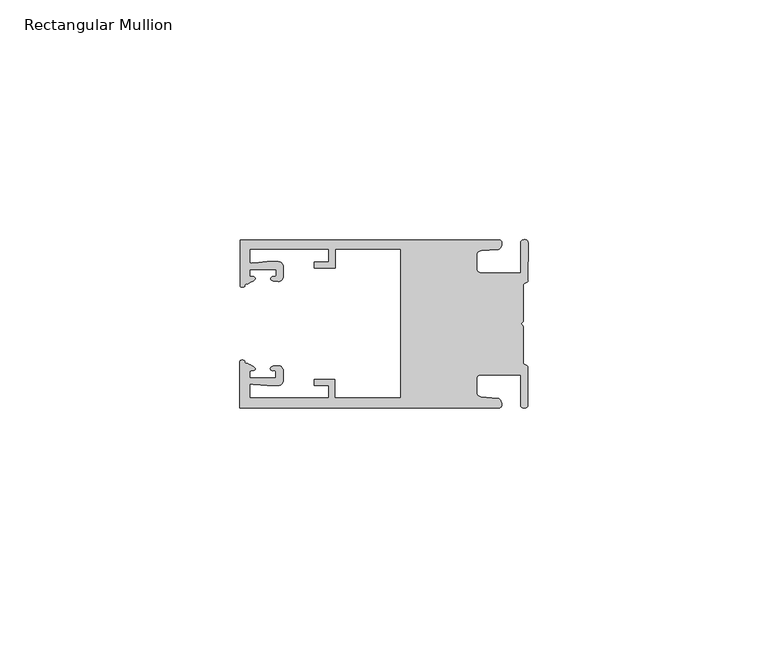
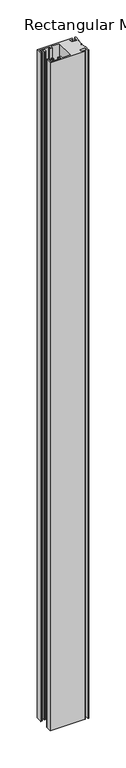
"""IFC4 building model written with IfcOpenShell, lengths in millimetres: member geometry, Rectangular Mullion."""

from ifc_helpers import new_model, si_unit, frame, origin, place, context, project, spatial, circle_curve, source, transform, mapped, element, save
from ifc_brep_helpers import plane_surface, cylinder_surface, extruded_surface, spline_curve, advanced_brep


def rectangular_mullion_71852f8a(model_context):
    return source(origin(), model_context, "Body", "AdvancedBrep", [
        advanced_brep(
        [(-60.0749377, 17.5111528, 0.0), (-60.0749377, 8.0140787, 0.0), (-59.3252567, 7.7187455, 0.0), (-58.4967974, 8.36785, 0.0), (-58.0726619, 10.1173923, 0.0), (-58.0713101, 11.3673916, 0.0), (-52.5713133, 11.3614437, 0.0), (-52.5726651, 10.1114444, 0.0), (-53.1427626, 8.8955539, 0.0), (-52.0740172, 8.8609044, 0.0), (-51.0729364, 9.8598224, 0.0), (-51.0706653, 11.9598211, 0.0), (-52.0700692, 12.9609024, 0.0), (-54.3905105, 12.9622843, 0.0), (-57.1599646, 12.7230061, 0.0), (-58.0696339, 12.9173907, 0.0), (-58.066768, 15.5673891, 0.0), (-41.5667584, 15.5673891, 0.0), (-41.5695894, 12.9495468, 0.0), (-44.5695877, 12.9527912, 0.0), (-44.5709936, 11.6527919, 0.0), (-40.2709961, 11.6481417, 0.0), (-40.2667576, 15.5673891, 0.0), (-26.6002952, 15.5673891, 0.0), (-26.6002952, -15.4518424, 0.0), (-40.3003032, -15.4518424, 0.0), (-40.2960856, -11.5518447, 0.0), (-44.5960831, -11.5471945, 0.0), (-44.597489, -12.8471938, 0.0), (-41.5974907, -12.8504381, 0.0), (-41.6003025, -15.4504366, 0.0), (-58.1002928, -15.4325927, 0.0), (-58.097427, -12.7825943, 0.0), (-57.1873395, -12.5901776, 0.0), (-54.4184094, -12.8354453, 0.0), (-52.0979705, -12.8390822, 0.0), (-51.0964037, -11.8401649, 0.0), (-51.0941327, -9.7401662, 0.0), (-52.0930507, -8.7390853, 0.0), (-53.1618685, -8.7714231, 0.0), (-52.5944022, -9.9885439, 0.0), (-52.595754, -11.2385431, 0.0), (-58.0957508, -11.2325952, 0.0), (-58.094399, -9.9825959, 0.0), (-58.5147494, -8.2321403, 0.0), (-59.3418028, -7.5812455, 0.0), (-60.0921208, -7.8749565, 0.0), (-60.0921208, -17.4888267, 0.0), (-6.1024861, -17.4888267, 0.0), (-6.5218639, -15.488372, 0.0), (-9.8784944, -15.2205466, 0.0), (-10.7989567, -14.2226333, 0.0), (-10.7961029, -11.5837474, 0.0), (-9.8734844, -10.5878272, 0.0), (-1.5950266, -10.5934991, 0.0), (-1.601948, -16.9936935, 0.0), (-0.1017194, -16.7830581, 0.0), (-0.0933208, -9.0170082, 0.0), (-1.0923837, -8.1499018, 0.0), (-1.0842165, -0.5977972, 0.0), (-1.0829111, 0.6093089, 0.0), (-1.0747439, 8.1614135, 0.0), (-0.0738079, 9.026357, 0.0), (-0.0654093, 16.7924069, 0.0), (-1.5651789, 17.0062866, 0.0), (-1.5651789, 10.6183257, 0.0), (-9.8505511, 10.6183257, 0.0), (-10.7710133, 11.6162391, 0.0), (-10.7681595, 14.255125, 0.0), (-9.845541, 15.2510452, 0.0), (-6.4883391, 15.5116099, 0.0), (-6.0646356, 17.5111528, 0.0), (-60.0749377, 17.5111528, -1098.18), (-6.0646356, 17.5111528, -1098.18), (-6.4883391, 15.5116099, -1098.18), (-9.845541, 15.2510452, -1098.18), (-10.7681595, 14.255125, -1098.18), (-10.7710133, 11.6162391, -1098.18), (-9.8505511, 10.6183257, -1098.18), (-1.5651789, 10.6183257, -1098.18), (-1.5651789, 17.0062866, -1098.18), (-0.0654093, 16.7924069, -1098.18), (-0.0738079, 9.026357, -1098.18), (-1.0747439, 8.1614135, -1098.18), (-1.0829111, 0.6093089, -1098.18), (-1.0842165, -0.5977972, -1098.18), (-1.0923837, -8.1499018, -1098.18), (-0.0933208, -9.0170082, -1098.18), (-0.1017194, -16.7830581, -1098.18), (-1.601948, -16.9936935, -1098.18), (-1.5950266, -10.5934991, -1098.18), (-9.8734844, -10.5878272, -1098.18), (-10.7961029, -11.5837474, -1098.18), (-10.7989567, -14.2226333, -1098.18), (-9.8784944, -15.2205466, -1098.18), (-6.5218639, -15.488372, -1098.18), (-6.1024861, -17.4888267, -1098.18), (-60.0921208, -17.4888267, -1098.18), (-60.0921208, -7.8749565, -1098.18), (-59.3418028, -7.5812455, -1098.18), (-58.5147494, -8.2321403, -1098.18), (-58.094399, -9.9825959, -1098.18), (-58.0957508, -11.2325952, -1098.18), (-52.595754, -11.2385431, -1098.18), (-52.5944022, -9.9885439, -1098.18), (-53.1618685, -8.7714231, -1098.18), (-52.0930507, -8.7390853, -1098.18), (-51.0941327, -9.7401662, -1098.18), (-51.0964037, -11.8401649, -1098.18), (-52.0979705, -12.8390823, -1098.18), (-54.4184094, -12.8354453, -1098.18), (-57.1873395, -12.5901776, -1098.18), (-58.097427, -12.7825943, -1098.18), (-58.1002928, -15.4325927, -1098.18), (-41.6003025, -15.4504366, -1098.18), (-41.5974907, -12.8504381, -1098.18), (-44.597489, -12.8471938, -1098.18), (-44.5960831, -11.5471945, -1098.18), (-40.2960856, -11.5518447, -1098.18), (-40.3003032, -15.4518424, -1098.18), (-26.6002952, -15.4518424, -1098.18), (-26.6002952, 15.5673891, -1098.18), (-40.2667576, 15.5673891, -1098.18), (-40.2709961, 11.6481417, -1098.18), (-44.5709936, 11.6527919, -1098.18), (-44.5695877, 12.9527912, -1098.18), (-41.5695894, 12.9495468, -1098.18), (-41.5667584, 15.5673891, -1098.18), (-58.066768, 15.5673891, -1098.18), (-58.0696339, 12.9173907, -1098.18), (-57.1599646, 12.7230061, -1098.18), (-54.3905105, 12.9622843, -1098.18), (-52.0700692, 12.9609023, -1098.18), (-51.0706653, 11.9598211, -1098.18), (-51.0729364, 9.8598224, -1098.18), (-52.0740172, 8.8609044, -1098.18), (-53.1427626, 8.8955539, -1098.18), (-52.5726651, 10.1114444, -1098.18), (-52.5713133, 11.3614437, -1098.18), (-58.0713101, 11.3673916, -1098.18), (-58.0726619, 10.1173923, -1098.18), (-58.4967974, 8.36785, -1098.18), (-59.3252567, 7.7187455, -1098.18), (-60.0749377, 8.0140787, -1098.18)],
        [
            (0, 1),
            (1, 2, spline_curve(3, [(-60.0749377, 8.0140787, 0.0), (-60.075233123, 7.740904774, 0.0), (-59.825339491, 7.642460332, 0.0), (-59.3252567, 7.7187455, 0.0)], [4, 4], [0.0, 0.0019169337574178654])),
            (2, 3, spline_curve(3, [(-59.3252567, 7.7187455, 0.0), (-59.094460914, 7.75918372, 0.0), (-59.054835463, 7.902257199, 0.0), (-59.05559987, 8.233305614, 0.0), (-59.138729113, 8.4134359, 0.0), (-58.4967974, 8.36785, 0.0)], [4, 2, 4], [0.0, 0.0010199524164107188, 0.0024874514725970356])),
            (3, 4, spline_curve(3, [(-58.4967974, 8.36785, 0.0), (-57.022393378, 9.053435667, 0.0), (-56.827266887, 9.364828726, 0.0), (-56.982213078, 9.742623404, 0.0), (-57.177375211, 9.855581791, 0.0), (-57.697928101, 9.887955071, 0.0), (-57.997449153, 9.835475348, 0.0), (-58.0726619, 10.1173923, 0.0)], [4, 2, 2, 4], [0.0, 0.003269869179570428, 0.005490050486237203, 0.0073545767114364426])),
            (4, 5),
            (5, 6),
            (6, 7),
            (7, 8, spline_curve(3, [(-52.5726651, 10.1114444, 0.0), (-52.667195519, 9.760172042, 0.0), (-52.937094388, 9.861877724, 0.0), (-53.356237032, 9.895631753, 0.0), (-53.491940439, 9.811038713, 0.0), (-53.761900775, 9.511438033, 0.0), (-53.892893546, 9.278787104, 0.0), (-53.1427626, 8.8955539, 0.0)], [4, 2, 2, 4], [0.0, 0.001593963049934732, 0.0033360256320283306, 0.005339140673503943])),
            (8, 9),
            (9, 10, circle_curve(frame((-52.0729358, 9.8609038, 0.0), z_axis=(0.0, 0.0, 1.0), x_axis=(-0.0010814451158600304, -0.9999994152380598, 0.0)), 1.0)),
            (10, 11),
            (11, 12, circle_curve(frame((-52.0706647, 11.9609026, 0.0), z_axis=(0.0, 0.0, 1.0), x_axis=(-0.0010814451158600304, -0.9999994152380598, 0.0)), 1.0)),
            (12, 13),
            (13, 14),
            (14, 15, spline_curve(3, [(-57.1599646, 12.7230061, 0.0), (-57.631533854, 12.682262968, 0.0), (-58.018602985, 12.477800124, 0.0), (-58.0696339, 12.9173907, 0.0)], [4, 4], [0.0, 0.0014803385355886016])),
            (15, 16),
            (16, 17),
            (17, 18),
            (18, 19),
            (19, 20),
            (20, 21),
            (21, 22),
            (22, 23),
            (23, 24),
            (24, 25),
            (25, 26),
            (26, 27),
            (27, 28),
            (28, 29),
            (29, 30),
            (30, 31),
            (31, 32),
            (32, 33, spline_curve(3, [(-58.097427, -12.7825943, 0.0), (-58.045445419, -12.343115126, 0.0), (-57.658819528, -12.548414611, 0.0), (-57.1873395, -12.5901776, 0.0)], [4, 4], [0.0, 0.0014803385355886016])),
            (33, 34),
            (34, 35),
            (35, 36, circle_curve(frame((-52.0964031, -11.8390835, 0.0), z_axis=(0.0, 0.0, 1.0), x_axis=(0.0010814451158600304, 0.9999994152380598, 0.0)), 1.0)),
            (36, 37),
            (37, 38, circle_curve(frame((-52.0941321, -9.7390847, 0.0), z_axis=(0.0, 0.0, 1.0), x_axis=(0.0010814451158600304, 0.9999994152380598, 0.0)), 1.0)),
            (38, 39),
            (39, 40, spline_curve(3, [(-53.1618685, -8.7714231, 0.0), (-53.912826582, -9.153032958, 0.0), (-53.782337352, -9.385966711, 0.0), (-53.51302565, -9.686150585, 0.0), (-53.377505444, -9.771037009, 0.0), (-52.958290774, -9.738189618, 0.0), (-52.688172635, -9.637067904, 0.0), (-52.5944022, -9.9885439, 0.0)], [4, 2, 2, 4], [0.0, 0.002003115041475612, 0.0037451776235692107, 0.005339140673503943])),
            (40, 41),
            (41, 42),
            (42, 43),
            (43, 44, spline_curve(3, [(-58.094399, -9.9825959, 0.0), (-58.018576674, -9.700842284, 0.0), (-57.719169706, -9.753969703, 0.0), (-57.198548014, -9.722722397, 0.0), (-57.003142178, -9.61018632, 0.0), (-56.847379222, -9.232727657, 0.0), (-57.041831673, -8.920913336, 0.0), (-58.5147494, -8.2321403, 0.0)], [4, 2, 2, 4], [0.0, 0.0018645262251992395, 0.004084707531866015, 0.0073545767114364426])),
            (44, 45, spline_curve(3, [(-58.5147494, -8.2321403, 0.0), (-59.156778208, -8.276337666, 0.0), (-59.073259494, -8.096387681, 0.0), (-59.071779067, -7.765341694, 0.0), (-59.111095017, -7.622182811, 0.0), (-59.3418028, -7.5812455, 0.0)], [4, 2, 4], [0.0, 0.0014674990561863168, 0.0024874514725970356])),
            (45, 46, spline_curve(3, [(-59.3418028, -7.5812455, 0.0), (-59.841719425, -7.503878887, 0.0), (-60.091825377, -7.601782574, 0.0), (-60.0921208, -7.8749565, 0.0)], [4, 4], [0.0, 0.0019169337574178654])),
            (46, 47),
            (47, 48),
            (48, 49, spline_curve(3, [(-6.1024861, -17.4888267, 0.0), (-5.074532184, -17.418062188, 0.0), (-5.631140689, -15.411414367, 0.0), (-6.5218639, -15.488372, 0.0)], [4, 4], [0.0, 0.0043819361547461745])),
            (49, 50),
            (50, 51, spline_curve(3, [(-9.8784944, -15.2205466, 0.0), (-10.440691543, -15.150698463, 0.0), (-10.74751234, -14.818060727, 0.0), (-10.7989567, -14.2226333, 0.0)], [4, 4], [0.0, 0.0028645797420738927])),
            (51, 52),
            (52, 53, spline_curve(3, [(-10.7961029, -11.5837474, 0.0), (-10.743370817, -10.988432634, 0.0), (-10.435831301, -10.656459204, 0.0), (-9.8734844, -10.5878272, 0.0)], [4, 4], [0.0, 0.0028645797420738927])),
            (53, 54),
            (54, 55),
            (55, 56, spline_curve(3, [(-1.601948, -16.9936935, 0.0), (-1.655676874, -17.600261454, 0.0), (-0.043737403, -17.912795581, 0.0), (-0.1017194, -16.7830581, 0.0)], [4, 4], [0.0, 0.0036987374396357936])),
            (56, 57),
            (57, 58, spline_curve(3, [(-0.0933208, -9.0170082, 0.0), (-0.018818183, -8.695886697, 0.0), (-1.193434327, -8.459763043, 0.0), (-1.0923837, -8.1499018, 0.0)], [4, 4], [0.0, 0.002027216749630121])),
            (58, 59),
            (59, 60, spline_curve(3, [(-1.0842165, -0.5977972, 0.0), (-1.013223198, -0.445980437, 0.0), (-1.487945123, -0.206736825, 0.0), (-1.487409651, 0.231097965, 0.0), (-0.999110985, 0.429090391, 0.0), (-1.0829111, 0.6093089, 0.0)], [4, 2, 4], [0.0, 0.00249866671847065, 0.005031402919736269])),
            (60, 61),
            (61, 62, spline_curve(3, [(-1.0747439, 8.1614135, 0.0), (-1.175124095, 8.47149258, 0.0), (-7e-09, 8.705075107, 0.0), (-0.0738079, 9.026357, 0.0)], [4, 4], [0.0, 0.002027216749630121])),
            (62, 63),
            (63, 64, spline_curve(3, [(-0.0654093, 16.7924069, 0.0), (-0.004983942, 17.92201633, 0.0), (-1.617595709, 17.612969344, 0.0), (-1.5651789, 17.0062866, 0.0)], [4, 4], [0.0, 0.0036987374396357936])),
            (64, 65),
            (65, 66),
            (66, 67, spline_curve(3, [(-9.8505511, 10.6183257, 0.0), (-10.412748243, 10.688173837, 0.0), (-10.71956894, 11.020811673, 0.0), (-10.7710133, 11.6162391, 0.0)], [4, 4], [0.0, 0.0028645797420738927])),
            (67, 68),
            (68, 69, spline_curve(3, [(-10.7681595, 14.255125, 0.0), (-10.715427417, 14.850439766, 0.0), (-10.407887901, 15.182413196, 0.0), (-9.845541, 15.2510452, 0.0)], [4, 4], [0.0, 0.0028645797420738927])),
            (69, 70),
            (70, 71, spline_curve(3, [(-6.4883391, 15.5116099, 0.0), (-5.597784423, 15.432725911, 0.0), (-5.036837144, 17.438165103, 0.0), (-6.0646356, 17.5111528, 0.0)], [4, 4], [0.0, 0.0043819361547461745])),
            (71, 0),
            (72, 73),
            (73, 74, spline_curve(3, [(-6.0646356, 17.5111528, -1098.18), (-5.036837144, 17.438165103, -1098.18), (-5.597784423, 15.432725911, -1098.18), (-6.4883391, 15.5116099, -1098.18)], [4, 4], [0.0, 0.0043819361547461745])),
            (74, 75),
            (75, 76, spline_curve(3, [(-9.845541, 15.2510452, -1098.18), (-10.407887901, 15.182413196, -1098.18), (-10.715427417, 14.850439766, -1098.18), (-10.7681595, 14.255125, -1098.18)], [4, 4], [0.0, 0.0028645797420738927])),
            (76, 77),
            (77, 78, spline_curve(3, [(-10.7710133, 11.6162391, -1098.18), (-10.71956894, 11.020811673, -1098.18), (-10.412748243, 10.688173837, -1098.18), (-9.8505511, 10.6183257, -1098.18)], [4, 4], [0.0, 0.0028645797420738927])),
            (78, 79),
            (79, 80),
            (80, 81, spline_curve(3, [(-1.5651789, 17.0062866, -1098.18), (-1.617595709, 17.612969344, -1098.18), (-0.004983942, 17.92201633, -1098.18), (-0.0654093, 16.7924069, -1098.18)], [4, 4], [0.0, 0.0036987374396357936])),
            (81, 82),
            (82, 83, spline_curve(3, [(-0.0738079, 9.026357, -1098.18), (-7e-09, 8.705075107, -1098.18), (-1.175124095, 8.47149258, -1098.18), (-1.0747439, 8.1614135, -1098.18)], [4, 4], [0.0, 0.002027216749630121])),
            (83, 84),
            (84, 85, spline_curve(3, [(-1.0829111, 0.6093089, -1098.18), (-0.999110985, 0.429090391, -1098.18), (-1.487409651, 0.231097965, -1098.18), (-1.487945123, -0.206736825, -1098.18), (-1.013223198, -0.445980437, -1098.18), (-1.0842165, -0.5977972, -1098.18)], [4, 2, 4], [0.0, 0.002532736201265619, 0.005031402919736269])),
            (85, 86),
            (86, 87, spline_curve(3, [(-1.0923837, -8.1499018, -1098.18), (-1.193434327, -8.459763043, -1098.18), (-0.018818183, -8.695886697, -1098.18), (-0.0933208, -9.0170082, -1098.18)], [4, 4], [0.0, 0.002027216749630121])),
            (87, 88),
            (88, 89, spline_curve(3, [(-0.1017194, -16.7830581, -1098.18), (-0.043737403, -17.912795581, -1098.18), (-1.655676874, -17.600261454, -1098.18), (-1.601948, -16.9936935, -1098.18)], [4, 4], [0.0, 0.0036987374396357936])),
            (89, 90),
            (90, 91),
            (91, 92, spline_curve(3, [(-9.8734844, -10.5878272, -1098.18), (-10.435831301, -10.656459204, -1098.18), (-10.743370817, -10.988432634, -1098.18), (-10.7961029, -11.5837474, -1098.18)], [4, 4], [0.0, 0.0028645797420738927])),
            (92, 93),
            (93, 94, spline_curve(3, [(-10.7989567, -14.2226333, -1098.18), (-10.74751234, -14.818060727, -1098.18), (-10.440691543, -15.150698463, -1098.18), (-9.8784944, -15.2205466, -1098.18)], [4, 4], [0.0, 0.0028645797420738927])),
            (94, 95),
            (95, 96, spline_curve(3, [(-6.5218639, -15.488372, -1098.18), (-5.631140689, -15.411414367, -1098.18), (-5.074532184, -17.418062188, -1098.18), (-6.1024861, -17.4888267, -1098.18)], [4, 4], [0.0, 0.0043819361547461745])),
            (96, 97),
            (97, 98),
            (98, 99, spline_curve(3, [(-60.0921208, -7.8749565, -1098.18), (-60.091825377, -7.601782574, -1098.18), (-59.841719425, -7.503878887, -1098.18), (-59.3418028, -7.5812455, -1098.18)], [4, 4], [0.0, 0.0019169337574178654])),
            (99, 100, spline_curve(3, [(-59.3418028, -7.5812455, -1098.18), (-59.111095017, -7.622182811, -1098.18), (-59.071779067, -7.765341694, -1098.18), (-59.073259494, -8.096387681, -1098.18), (-59.156778208, -8.276337666, -1098.18), (-58.5147494, -8.2321403, -1098.18)], [4, 2, 4], [0.0, 0.0010199524164107188, 0.0024874514725970356])),
            (100, 101, spline_curve(3, [(-58.5147494, -8.2321403, -1098.18), (-57.041831673, -8.920913336, -1098.18), (-56.847379222, -9.232727657, -1098.18), (-57.003142178, -9.61018632, -1098.18), (-57.198548014, -9.722722397, -1098.18), (-57.719169706, -9.753969703, -1098.18), (-58.018576674, -9.700842284, -1098.18), (-58.094399, -9.9825959, -1098.18)], [4, 2, 2, 4], [0.0, 0.003269869179570428, 0.005490050486237203, 0.0073545767114364426])),
            (101, 102),
            (102, 103),
            (103, 104),
            (104, 105, spline_curve(3, [(-52.5944022, -9.9885439, -1098.18), (-52.688172635, -9.637067904, -1098.18), (-52.958290774, -9.738189618, -1098.18), (-53.377505444, -9.771037009, -1098.18), (-53.51302565, -9.686150585, -1098.18), (-53.782337352, -9.385966711, -1098.18), (-53.912826582, -9.153032958, -1098.18), (-53.1618685, -8.7714231, -1098.18)], [4, 2, 2, 4], [0.0, 0.001593963049934732, 0.0033360256320283306, 0.005339140673503943])),
            (105, 106),
            (106, 107, circle_curve(frame((-52.0941321, -9.7390847, -1098.18), z_axis=(0.0, 0.0, -1.0), x_axis=(0.0010814451158600304, 0.9999994152380598, 0.0)), 1.0)),
            (107, 108),
            (108, 109, circle_curve(frame((-52.0964031, -11.8390835, -1098.18), z_axis=(0.0, 0.0, -1.0), x_axis=(0.0010814451158600304, 0.9999994152380598, 0.0)), 1.0)),
            (109, 110),
            (110, 111),
            (111, 112, spline_curve(3, [(-57.1873395, -12.5901776, -1098.18), (-57.658819528, -12.548414611, -1098.18), (-58.045445419, -12.343115126, -1098.18), (-58.097427, -12.7825943, -1098.18)], [4, 4], [0.0, 0.0014803385355886016])),
            (112, 113),
            (113, 114),
            (114, 115),
            (115, 116),
            (116, 117),
            (117, 118),
            (118, 119),
            (119, 120),
            (120, 121),
            (121, 122),
            (122, 123),
            (123, 124),
            (124, 125),
            (125, 126),
            (126, 127),
            (127, 128),
            (128, 129),
            (129, 130, spline_curve(3, [(-58.0696339, 12.9173907, -1098.18), (-58.018602985, 12.477800124, -1098.18), (-57.631533854, 12.682262968, -1098.18), (-57.1599646, 12.7230061, -1098.18)], [4, 4], [0.0, 0.0014803385355886016])),
            (130, 131),
            (131, 132),
            (132, 133, circle_curve(frame((-52.0706647, 11.9609026, -1098.18), z_axis=(0.0, 0.0, -1.0), x_axis=(-0.0010814451158600304, -0.9999994152380598, 0.0)), 1.0)),
            (133, 134),
            (134, 135, circle_curve(frame((-52.0729358, 9.8609038, -1098.18), z_axis=(0.0, 0.0, -1.0), x_axis=(-0.0010814451158600304, -0.9999994152380598, 0.0)), 1.0)),
            (135, 136),
            (136, 137, spline_curve(3, [(-53.1427626, 8.8955539, -1098.18), (-53.892893546, 9.278787104, -1098.18), (-53.761900775, 9.511438033, -1098.18), (-53.491940439, 9.811038713, -1098.18), (-53.356237032, 9.895631753, -1098.18), (-52.937094388, 9.861877724, -1098.18), (-52.667195519, 9.760172042, -1098.18), (-52.5726651, 10.1114444, -1098.18)], [4, 2, 2, 4], [0.0, 0.002003115041475612, 0.0037451776235692107, 0.005339140673503943])),
            (137, 138),
            (138, 139),
            (139, 140),
            (140, 141, spline_curve(3, [(-58.0726619, 10.1173923, -1098.18), (-57.997449153, 9.835475348, -1098.18), (-57.697928101, 9.887955071, -1098.18), (-57.177375211, 9.855581791, -1098.18), (-56.982213078, 9.742623404, -1098.18), (-56.827266887, 9.364828726, -1098.18), (-57.022393378, 9.053435667, -1098.18), (-58.4967974, 8.36785, -1098.18)], [4, 2, 2, 4], [0.0, 0.0018645262251992395, 0.004084707531866015, 0.0073545767114364426])),
            (141, 142, spline_curve(3, [(-58.4967974, 8.36785, -1098.18), (-59.138729113, 8.4134359, -1098.18), (-59.05559987, 8.233305614, -1098.18), (-59.054835463, 7.902257199, -1098.18), (-59.094460914, 7.75918372, -1098.18), (-59.3252567, 7.7187455, -1098.18)], [4, 2, 4], [0.0, 0.0014674990561863168, 0.0024874514725970356])),
            (142, 143, spline_curve(3, [(-59.3252567, 7.7187455, -1098.18), (-59.825339491, 7.642460332, -1098.18), (-60.075233123, 7.740904774, -1098.18), (-60.0749377, 8.0140787, -1098.18)], [4, 4], [0.0, 0.0019169337574178654])),
            (143, 72),
            (0, 72),
            (143, 1),
            (142, 2),
            (141, 3),
            (140, 4),
            (139, 5),
            (138, 6),
            (137, 7),
            (136, 8),
            (135, 9),
            (134, 10),
            (133, 11),
            (132, 12),
            (131, 13),
            (130, 14),
            (129, 15),
            (128, 16),
            (127, 17),
            (126, 18),
            (125, 19),
            (124, 20),
            (123, 21),
            (122, 22),
            (121, 23),
            (120, 24),
            (119, 25),
            (118, 26),
            (117, 27),
            (116, 28),
            (115, 29),
            (114, 30),
            (113, 31),
            (112, 32),
            (111, 33),
            (110, 34),
            (109, 35),
            (108, 36),
            (107, 37),
            (106, 38),
            (105, 39),
            (104, 40),
            (103, 41),
            (102, 42),
            (101, 43),
            (100, 44),
            (99, 45),
            (98, 46),
            (97, 47),
            (96, 48),
            (95, 49),
            (94, 50),
            (93, 51),
            (92, 52),
            (91, 53),
            (90, 54),
            (89, 55),
            (88, 56),
            (87, 57),
            (86, 58),
            (85, 59),
            (84, 60),
            (83, 61),
            (82, 62),
            (81, 63),
            (80, 64),
            (79, 65),
            (78, 66),
            (77, 67),
            (76, 68),
            (75, 69),
            (74, 70),
            (73, 71),
        ],
        [
            plane_surface(frame((0.0, -62.5853181, 0.0), z_axis=(0.0, 0.0, 1.0), x_axis=(-1.0, 0.0, 0.0))),
            plane_surface(frame((0.0, -62.5853181, -1098.18), z_axis=(0.0, 0.0, -1.0), x_axis=(-1.0, 0.0, 0.0))),
            plane_surface(frame((-60.0749377, 17.5111528, 0.0), z_axis=(-1.0, 0.0, 0.0), x_axis=(0.0, 0.0, -1.0))),
            extruded_surface(spline_curve(3, [(-60.0749377, 8.0140787, -1098.18), (-60.075233123, 7.740904774, -1098.18), (-59.825339491, 7.642460332, -1098.18), (-59.3252567, 7.7187455, -1098.18)], [4, 4], [0.0, 0.0019169337574178654]), (0.0, 0.0, 1098.18), 1098.18),
            extruded_surface(spline_curve(3, [(-59.3252567, 7.7187455, -1098.18), (-59.094460914, 7.75918372, -1098.18), (-59.054835463, 7.902257199, -1098.18), (-59.05559987, 8.233305614, -1098.18), (-59.138729113, 8.4134359, -1098.18), (-58.4967974, 8.36785, -1098.18)], [4, 2, 4], [0.0, 0.0010199524164107188, 0.0024874514725970356]), (0.0, 0.0, 1098.18), 1098.18),
            extruded_surface(spline_curve(3, [(-58.4967974, 8.36785, -1098.18), (-57.022393378, 9.053435667, -1098.18), (-56.827266887, 9.364828726, -1098.18), (-56.982213078, 9.742623404, -1098.18), (-57.177375211, 9.855581791, -1098.18), (-57.697928101, 9.887955071, -1098.18), (-57.997449153, 9.835475348, -1098.18), (-58.0726619, 10.1173923, -1098.18)], [4, 2, 2, 4], [0.0, 0.003269869179570428, 0.005490050486237203, 0.0073545767114364426]), (0.0, 0.0, 1098.18), 1098.18),
            plane_surface(frame((-58.0726619, 10.1173923, 0.0), z_axis=(0.9999994152380598, -0.0010814451158634145, 0.0), x_axis=(0.0, 0.0, -1.0))),
            plane_surface(frame((-58.0713101, 11.3673916, 0.0), z_axis=(-0.0010814451158616418, -0.9999994152380598, 0.0), x_axis=(0.0, 0.0, -1.0))),
            plane_surface(frame((-52.5713133, 11.3614437, 0.0), z_axis=(-0.9999994152380598, 0.0010814451158643293, 0.0), x_axis=(0.0, 0.0, -1.0))),
            extruded_surface(spline_curve(3, [(-52.5726651, 10.1114444, -1098.18), (-52.667195519, 9.760172042, -1098.18), (-52.937094388, 9.861877724, -1098.18), (-53.356237032, 9.895631753, -1098.18), (-53.491940439, 9.811038713, -1098.18), (-53.761900775, 9.511438033, -1098.18), (-53.892893546, 9.278787104, -1098.18), (-53.1427626, 8.8955539, -1098.18)], [4, 2, 2, 4], [0.0, 0.001593963049934732, 0.0033360256320283306, 0.005339140673503943]), (0.0, 0.0, 1098.18), 1098.18),
            plane_surface(frame((-53.1427626, 8.8955539, 0.0), z_axis=(-0.032403661401520414, -0.9994748634797054, 0.0), x_axis=(0.0, 0.0, -1.0))),
            cylinder_surface(frame((-52.0729358, 9.8609038, 0.0), z_axis=(0.0, 0.0, 1.0000000000000002), x_axis=(-0.0010814451158600304, -0.9999994152380598, 0.0)), 1.0),
            plane_surface(frame((-51.0729364, 9.8598224, 0.0), z_axis=(0.9999994152380598, -0.001081445115864059, 0.0), x_axis=(0.0, 0.0, -1.0))),
            cylinder_surface(frame((-52.0706647, 11.9609026, 0.0), z_axis=(0.0, 0.0, 1.0000000000000002), x_axis=(-0.0010814451158600304, -0.9999994152380598, 0.0)), 1.0),
            plane_surface(frame((-52.0700692, 12.9609023, 0.0), z_axis=(0.0005955716436318007, 0.999999822647193, 0.0), x_axis=(0.0, 0.0, -1.0))),
            plane_surface(frame((-54.3905105, 12.9622843, 0.0), z_axis=(-0.08607836189159865, 0.9962883697073147, 0.0), x_axis=(0.0, 0.0, -1.0))),
            extruded_surface(spline_curve(3, [(-57.1599646, 12.7230061, -1098.18), (-57.631533854, 12.682262968, -1098.18), (-58.018602985, 12.477800124, -1098.18), (-58.0696339, 12.9173907, -1098.18)], [4, 4], [0.0, 0.0014803385355886016]), (0.0, 0.0, 1098.18), 1098.18),
            plane_surface(frame((-58.0696339, 12.9173907, 0.0), z_axis=(0.9999994152380598, -0.0010814451158629996, 0.0), x_axis=(0.0, 0.0, -1.0))),
            plane_surface(frame((-58.066768, 15.5673891, 0.0), z_axis=(0.0, -1.0, 0.0), x_axis=(0.0, 0.0, -1.0))),
            plane_surface(frame((-41.5667584, 15.5673891, 0.0), z_axis=(-0.9999994152380598, 0.0010814451158636304, 0.0), x_axis=(0.0, 0.0, -1.0))),
            plane_surface(frame((-41.5695894, 12.9495468, 0.0), z_axis=(0.0010814451158615687, 0.9999994152380598, 0.0), x_axis=(0.0, 0.0, -1.0))),
            plane_surface(frame((-44.5695877, 12.9527912, 0.0), z_axis=(-0.9999994152380598, 0.0010814451158626742, 0.0), x_axis=(0.0, 0.0, -1.0))),
            plane_surface(frame((-44.5709936, 11.6527919, 0.0), z_axis=(-0.001081445115861604, -0.9999994152380598, 0.0), x_axis=(0.0, 0.0, -1.0))),
            plane_surface(frame((-40.2709961, 11.6481417, 0.0), z_axis=(0.9999994152380598, -0.001081445115863507, 0.0), x_axis=(0.0, 0.0, -1.0))),
            plane_surface(frame((-40.2667576, 15.5673891, 0.0), z_axis=(0.0, -1.0, 0.0), x_axis=(0.0, 0.0, -1.0))),
            plane_surface(frame((-26.6002952, 15.5673891, 0.0), z_axis=(-1.0, 0.0, 0.0), x_axis=(0.0, 0.0, -1.0))),
            plane_surface(frame((-26.6002952, -15.4518424, 0.0), z_axis=(0.0, 1.0, 0.0), x_axis=(0.0, 0.0, -1.0))),
            plane_surface(frame((-40.3003032, -15.4518424, 0.0), z_axis=(0.9999994152380598, -0.0010814451158565538, 0.0), x_axis=(0.0, 0.0, -1.0))),
            plane_surface(frame((-40.2960856, -11.5518447, 0.0), z_axis=(0.0010814451158584568, 0.9999994152380598, 0.0), x_axis=(0.0, 0.0, -1.0))),
            plane_surface(frame((-44.5960831, -11.5471945, 0.0), z_axis=(-0.9999994152380598, 0.0010814451158573867, 0.0), x_axis=(0.0, 0.0, -1.0))),
            plane_surface(frame((-44.597489, -12.8471938, 0.0), z_axis=(-0.0010814451158584922, -0.9999994152380598, 0.0), x_axis=(0.0, 0.0, -1.0))),
            plane_surface(frame((-41.5974907, -12.8504381, 0.0), z_axis=(-0.9999994152380598, 0.0010814451158564305, 0.0), x_axis=(0.0, 0.0, -1.0))),
            plane_surface(frame((-41.6003025, -15.4504366, 0.0), z_axis=(0.0010814451158583872, 0.9999994152380598, 0.0), x_axis=(0.0, 0.0, -1.0))),
            plane_surface(frame((-58.1002928, -15.4325927, 0.0), z_axis=(0.9999994152380598, -0.0010814451158570612, 0.0), x_axis=(0.0, 0.0, -1.0))),
            extruded_surface(spline_curve(3, [(-58.097427, -12.7825943, -1098.18), (-58.045445419, -12.343115126, -1098.18), (-57.658819528, -12.548414611, -1098.18), (-57.1873395, -12.5901776, -1098.18)], [4, 4], [0.0, 0.0014803385355886016]), (0.0, 0.0, 1098.18), 1098.18),
            plane_surface(frame((-57.1873395, -12.5901776, 0.0), z_axis=(-0.0882330216729926, -0.9960998614026876, 0.0), x_axis=(0.0, 0.0, -1.0))),
            plane_surface(frame((-54.4184094, -12.8354453, 0.0), z_axis=(-0.0015673183327880543, -0.9999987717558677, 0.0), x_axis=(0.0, 0.0, -1.0))),
            cylinder_surface(frame((-52.0964031, -11.8390835, 0.0), z_axis=(0.0, 0.0, 1.0000000000000002), x_axis=(0.0010814451158600304, 0.9999994152380598, 0.0)), 1.0),
            plane_surface(frame((-51.0964037, -11.8401649, 0.0), z_axis=(0.9999994152380598, -0.001081445115856002, 0.0), x_axis=(0.0, 0.0, -1.0))),
            cylinder_surface(frame((-52.0941321, -9.7390847, 0.0), z_axis=(0.0, 0.0, 1.0000000000000002), x_axis=(0.0010814451158600304, 0.9999994152380598, 0.0)), 1.0),
            plane_surface(frame((-52.0930507, -8.7390853, 0.0), z_axis=(-0.030241832452872642, 0.9995426111826812, 0.0), x_axis=(0.0, 0.0, -1.0))),
            extruded_surface(spline_curve(3, [(-53.1618685, -8.7714231, -1098.18), (-53.912826582, -9.153032958, -1098.18), (-53.782337352, -9.385966711, -1098.18), (-53.51302565, -9.686150585, -1098.18), (-53.377505444, -9.771037009, -1098.18), (-52.958290774, -9.738189618, -1098.18), (-52.688172635, -9.637067904, -1098.18), (-52.5944022, -9.9885439, -1098.18)], [4, 2, 2, 4], [0.0, 0.002003115041475612, 0.0037451776235692107, 0.005339140673503943]), (0.0, 0.0, 1098.18), 1098.18),
            plane_surface(frame((-52.5944022, -9.9885439, 0.0), z_axis=(-0.9999994152380598, 0.0010814451158557316, 0.0), x_axis=(0.0, 0.0, -1.0))),
            plane_surface(frame((-52.595754, -11.2385431, 0.0), z_axis=(0.001081445115858419, 0.9999994152380598, 0.0), x_axis=(0.0, 0.0, -1.0))),
            plane_surface(frame((-58.0957508, -11.2325952, 0.0), z_axis=(0.9999994152380598, -0.0010814451158566464, 0.0), x_axis=(0.0, 0.0, -1.0))),
            extruded_surface(spline_curve(3, [(-58.094399, -9.9825959, -1098.18), (-58.018576674, -9.700842284, -1098.18), (-57.719169706, -9.753969703, -1098.18), (-57.198548014, -9.722722397, -1098.18), (-57.003142178, -9.61018632, -1098.18), (-56.847379222, -9.232727657, -1098.18), (-57.041831673, -8.920913336, -1098.18), (-58.5147494, -8.2321403, -1098.18)], [4, 2, 2, 4], [0.0, 0.0018645262251992395, 0.004084707531866015, 0.0073545767114364426]), (0.0, 0.0, 1098.18), 1098.18),
            extruded_surface(spline_curve(3, [(-58.5147494, -8.2321403, -1098.18), (-59.156778208, -8.276337666, -1098.18), (-59.073259494, -8.096387681, -1098.18), (-59.071779067, -7.765341694, -1098.18), (-59.111095017, -7.622182811, -1098.18), (-59.3418028, -7.5812455, -1098.18)], [4, 2, 4], [0.0, 0.0014674990561863168, 0.0024874514725970356]), (0.0, 0.0, 1098.18), 1098.18),
            extruded_surface(spline_curve(3, [(-59.3418028, -7.5812455, -1098.18), (-59.841719425, -7.503878887, -1098.18), (-60.091825377, -7.601782574, -1098.18), (-60.0921208, -7.8749565, -1098.18)], [4, 4], [0.0, 0.0019169337574178654]), (0.0, 0.0, 1098.18), 1098.18),
            plane_surface(frame((-60.0921208, -7.8749565, 0.0), z_axis=(-1.0, 0.0, 0.0), x_axis=(0.0, 0.0, -1.0))),
            plane_surface(frame((-60.0921208, -17.4888267, 0.0), z_axis=(0.0, -1.0, 0.0), x_axis=(0.0, 0.0, -1.0))),
            extruded_surface(spline_curve(3, [(-6.1024861, -17.4888267, -1098.18), (-5.074532184, -17.418062188, -1098.18), (-5.631140689, -15.411414367, -1098.18), (-6.5218639, -15.488372, -1098.18)], [4, 4], [0.0, 0.0043819361547461745]), (0.0, 0.0, 1098.18), 1098.18),
            plane_surface(frame((-6.5218639, -15.488372, 0.0), z_axis=(0.07953716124904908, 0.9968319015663789, 0.0), x_axis=(0.0, 0.0, -1.0))),
            extruded_surface(spline_curve(3, [(-9.8784944, -15.2205466, -1098.18), (-10.440691543, -15.150698463, -1098.18), (-10.74751234, -14.818060727, -1098.18), (-10.7989567, -14.2226333, -1098.18)], [4, 4], [0.0, 0.0028645797420738927]), (0.0, 0.0, 1098.18), 1098.18),
            plane_surface(frame((-10.7989567, -14.2226333, 0.0), z_axis=(0.9999994152380598, -0.0010814451158568247, 0.0), x_axis=(0.0, 0.0, -1.0))),
            extruded_surface(spline_curve(3, [(-10.7961029, -11.5837474, -1098.18), (-10.743370817, -10.988432634, -1098.18), (-10.435831301, -10.656459204, -1098.18), (-9.8734844, -10.5878272, -1098.18)], [4, 4], [0.0, 0.0028645797420738927]), (0.0, 0.0, 1098.18), 1098.18),
            plane_surface(frame((-9.8734844, -10.5878272, 0.0), z_axis=(-0.0006851371995361226, -0.9999997652934814, 0.0), x_axis=(0.0, 0.0, -1.0))),
            plane_surface(frame((-1.5950266, -10.5934991, 0.0), z_axis=(-0.9999994152380598, 0.0010814451158568644, 0.0), x_axis=(0.0, 0.0, -1.0))),
            extruded_surface(spline_curve(3, [(-1.601948, -16.9936935, -1098.18), (-1.655676874, -17.600261454, -1098.18), (-0.043737403, -17.912795581, -1098.18), (-0.1017194, -16.7830581, -1098.18)], [4, 4], [0.0, 0.0036987374396357936]), (0.0, 0.0, 1098.18), 1098.18),
            plane_surface(frame((-0.1017194, -16.7830581, 0.0), z_axis=(0.9999994152380598, -0.001081445115856699, 0.0), x_axis=(0.0, 0.0, -1.0))),
            extruded_surface(spline_curve(3, [(-0.0933208, -9.0170082, -1098.18), (-0.018818183, -8.695886697, -1098.18), (-1.193434327, -8.459763043, -1098.18), (-1.0923837, -8.1499018, -1098.18)], [4, 4], [0.0, 0.002027216749630121]), (0.0, 0.0, 1098.18), 1098.18),
            plane_surface(frame((-1.0923837, -8.1499018, 0.0), z_axis=(0.9999994152380598, -0.0010814451158566698, 0.0), x_axis=(0.0, 0.0, -1.0))),
            extruded_surface(spline_curve(3, [(-1.0842165, -0.5977972, -1098.18), (-1.013223198, -0.445980437, -1098.18), (-1.487945123, -0.206736825, -1098.18), (-1.487409651, 0.231097965, -1098.18), (-0.999110985, 0.429090391, -1098.18), (-1.0829111, 0.6093089, -1098.18)], [4, 2, 4], [0.0, 0.00249866671847065, 0.005031402919736269]), (0.0, 0.0, 1098.18), 1098.18),
            plane_surface(frame((-1.0829111, 0.6093089, 0.0), z_axis=(0.9999994152380598, -0.001081445115863391, 0.0), x_axis=(0.0, 0.0, -1.0))),
            extruded_surface(spline_curve(3, [(-1.0747439, 8.1614135, -1098.18), (-1.175124095, 8.47149258, -1098.18), (-7e-09, 8.705075107, -1098.18), (-0.0738079, 9.026357, -1098.18)], [4, 4], [0.0, 0.002027216749630121]), (0.0, 0.0, 1098.18), 1098.18),
            plane_surface(frame((-0.0738079, 9.026357, 0.0), z_axis=(0.9999994152380598, -0.001081445115863362, 0.0), x_axis=(0.0, 0.0, -1.0))),
            extruded_surface(spline_curve(3, [(-0.0654093, 16.7924069, -1098.18), (-0.004983942, 17.92201633, -1098.18), (-1.617595709, 17.612969344, -1098.18), (-1.5651789, 17.0062866, -1098.18)], [4, 4], [0.0, 0.0036987374396357936]), (0.0, 0.0, 1098.18), 1098.18),
            plane_surface(frame((-1.5651789, 17.0062866, 0.0), z_axis=(-1.0, 0.0, 0.0), x_axis=(0.0, 0.0, -1.0))),
            plane_surface(frame((-1.5651789, 10.6183257, 0.0), z_axis=(0.0, 1.0, 0.0), x_axis=(0.0, 0.0, -1.0))),
            extruded_surface(spline_curve(3, [(-9.8505511, 10.6183257, -1098.18), (-10.412748243, 10.688173837, -1098.18), (-10.71956894, 11.020811673, -1098.18), (-10.7710133, 11.6162391, -1098.18)], [4, 4], [0.0, 0.0028645797420738927]), (0.0, 0.0, 1098.18), 1098.18),
            plane_surface(frame((-10.7710133, 11.6162391, 0.0), z_axis=(0.9999994152380598, -0.0010814451158632362, 0.0), x_axis=(0.0, 0.0, -1.0))),
            extruded_surface(spline_curve(3, [(-10.7681595, 14.255125, -1098.18), (-10.715427417, 14.850439766, -1098.18), (-10.407887901, 15.182413196, -1098.18), (-9.845541, 15.2510452, -1098.18)], [4, 4], [0.0, 0.0028645797420738927]), (0.0, 0.0, 1098.18), 1098.18),
            plane_surface(frame((-9.845541, 15.2510452, 0.0), z_axis=(0.07738093848608862, -0.9970015999781607, 0.0), x_axis=(0.0, 0.0, -1.0))),
            extruded_surface(spline_curve(3, [(-6.4883391, 15.5116099, -1098.18), (-5.597784423, 15.432725911, -1098.18), (-5.036837144, 17.438165103, -1098.18), (-6.0646356, 17.5111528, -1098.18)], [4, 4], [0.0, 0.0043819361547461745]), (0.0, 0.0, 1098.18), 1098.18),
            plane_surface(frame((-6.0646356, 17.5111528, 0.0), z_axis=(0.0, 1.0, 0.0), x_axis=(0.0, 0.0, -1.0))),
        ],
        [
            (0, [[1, 2, 3, 4, 5, 6, 7, 8, 9, 10, 11, 12, 13, 14, 15, 16, 17, 18, 19, 20, 21, 22, 23, 24, 25, 26, 27, 28, 29, 30, 31, 32, 33, 34, 35, 36, 37, 38, 39, 40, 41, 42, 43, 44, 45, 46, 47, 48, 49, 50, 51, 52, 53, 54, 55, 56, 57, 58, 59, 60, 61, 62, 63, 64, 65, 66, 67, 68, 69, 70, 71, 72]]),
            (1, [[73, 74, 75, 76, 77, 78, 79, 80, 81, 82, 83, 84, 85, 86, 87, 88, 89, 90, 91, 92, 93, 94, 95, 96, 97, 98, 99, 100, 101, 102, 103, 104, 105, 106, 107, 108, 109, 110, 111, 112, 113, 114, 115, 116, 117, 118, 119, 120, 121, 122, 123, 124, 125, 126, 127, 128, 129, 130, 131, 132, 133, 134, 135, 136, 137, 138, 139, 140, 141, 142, 143, 144]]),
            (2, [[-1, 145, -144, 146]]),
            (3, [[-2, -146, -143, 147]]),
            (4, [[-3, -147, -142, 148]]),
            (5, [[-4, -148, -141, 149]]),
            (6, [[-5, -149, -140, 150]]),
            (7, [[-6, -150, -139, 151]]),
            (8, [[-7, -151, -138, 152]]),
            (9, [[-8, -152, -137, 153]]),
            (10, [[-9, -153, -136, 154]]),
            (11, [[-10, -154, -135, 155]]),
            (12, [[-11, -155, -134, 156]]),
            (13, [[-12, -156, -133, 157]]),
            (14, [[-13, -157, -132, 158]]),
            (15, [[-14, -158, -131, 159]]),
            (16, [[-15, -159, -130, 160]]),
            (17, [[-16, -160, -129, 161]]),
            (18, [[-17, -161, -128, 162]]),
            (19, [[-18, -162, -127, 163]]),
            (20, [[-19, -163, -126, 164]]),
            (21, [[-20, -164, -125, 165]]),
            (22, [[-21, -165, -124, 166]]),
            (23, [[-22, -166, -123, 167]]),
            (24, [[-23, -167, -122, 168]]),
            (25, [[-24, -168, -121, 169]]),
            (26, [[-25, -169, -120, 170]]),
            (27, [[-26, -170, -119, 171]]),
            (28, [[-27, -171, -118, 172]]),
            (29, [[-28, -172, -117, 173]]),
            (30, [[-29, -173, -116, 174]]),
            (31, [[-30, -174, -115, 175]]),
            (32, [[-31, -175, -114, 176]]),
            (33, [[-32, -176, -113, 177]]),
            (34, [[-33, -177, -112, 178]]),
            (35, [[-34, -178, -111, 179]]),
            (36, [[-35, -179, -110, 180]]),
            (37, [[-36, -180, -109, 181]]),
            (38, [[-37, -181, -108, 182]]),
            (39, [[-38, -182, -107, 183]]),
            (40, [[-39, -183, -106, 184]]),
            (41, [[-40, -184, -105, 185]]),
            (42, [[-41, -185, -104, 186]]),
            (43, [[-42, -186, -103, 187]]),
            (44, [[-43, -187, -102, 188]]),
            (45, [[-44, -188, -101, 189]]),
            (46, [[-45, -189, -100, 190]]),
            (47, [[-46, -190, -99, 191]]),
            (48, [[-47, -191, -98, 192]]),
            (49, [[-48, -192, -97, 193]]),
            (50, [[-49, -193, -96, 194]]),
            (51, [[-50, -194, -95, 195]]),
            (52, [[-51, -195, -94, 196]]),
            (53, [[-52, -196, -93, 197]]),
            (54, [[-53, -197, -92, 198]]),
            (55, [[-54, -198, -91, 199]]),
            (56, [[-55, -199, -90, 200]]),
            (57, [[-56, -200, -89, 201]]),
            (58, [[-57, -201, -88, 202]]),
            (59, [[-58, -202, -87, 203]]),
            (60, [[-59, -203, -86, 204]]),
            (61, [[-60, -204, -85, 205]]),
            (62, [[-61, -205, -84, 206]]),
            (63, [[-62, -206, -83, 207]]),
            (64, [[-63, -207, -82, 208]]),
            (65, [[-64, -208, -81, 209]]),
            (66, [[-65, -209, -80, 210]]),
            (67, [[-66, -210, -79, 211]]),
            (68, [[-67, -211, -78, 212]]),
            (69, [[-68, -212, -77, 213]]),
            (70, [[-69, -213, -76, 214]]),
            (71, [[-70, -214, -75, 215]]),
            (72, [[-71, -215, -74, 216]]),
            (73, [[-72, -216, -73, -145]]),
        ],
    ),
    ])


if __name__ == "__main__":
    model = new_model("IFC4")
    model_context = context("Model", 3, world=origin())
    ifc_project = project(units=[si_unit("LENGTHUNIT", "METRE", prefix="MILLI")], contexts=[model_context])
    site = spatial("IfcSite", under=ifc_project)
    building = spatial("IfcBuilding", under=site)
    placement = place(None, origin())
    rectangular_mullion_shape = rectangular_mullion_71852f8a(model_context)
    element("IfcMember", 1, ObjectType="Rectangular Mullion", at=placement, inside=building, context=model_context, shape_type="MappedRepresentation", body=[
        mapped(rectangular_mullion_shape, transform((0.0, 0.0, 0.0), x_axis=(1.0, 0.0, 0.0), y_axis=(0.0, 1.0, 0.0), z_axis=(0.0, 0.0, 1.0))),
    ])
    save(model, "model.ifc")
